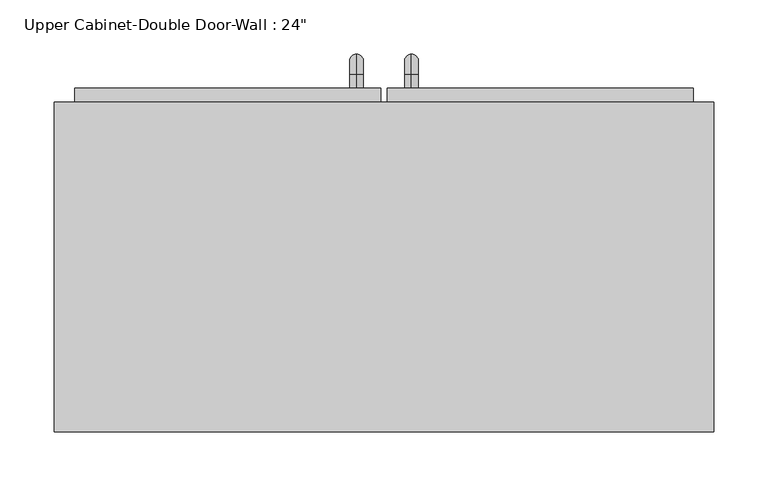
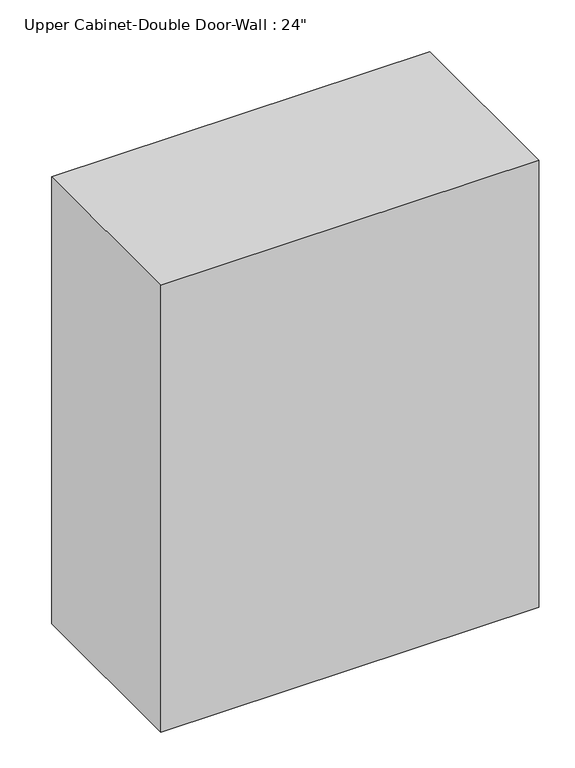
"""IFC4 building model written with IfcOpenShell, lengths in millimetres: furniture geometry."""

from ifc_helpers import new_model, si_unit, point, frame, origin, place, context, project, spatial, polyline, circle_curve, ellipse_curve, trimmed, outline, extrude, faceted_brep, source, transform, mapped, element, save
from ifc_brep_helpers import plane_surface, cylinder_surface, revolved_surface, advanced_brep


def furniture_e94185de(model_context):
    return source(origin(), model_context, "Body", "SolidModel", [
        faceted_brep([(-275.0288372, 63.5, 2133.6), (-275.0288372, 63.5, 1371.6), (334.5711628, 63.5, 1371.6), (334.5711628, 63.5, 2133.6), (-275.0288372, 368.3, 2133.6), (334.5711628, 368.3, 2133.6), (334.5711628, 368.3, 1371.6), (-275.0288372, 368.3, 1371.6), (-255.9788372, 368.3, 2114.55), (-255.9788372, 368.3, 1390.65), (315.5211628, 368.3, 1390.65), (315.5211628, 368.3, 2114.55), (315.5211628, 82.55, 2114.55), (-255.9788372, 82.55, 2114.55), (315.5211628, 82.55, 1390.65), (-255.9788372, 82.55, 1390.65)], [[[0, 1, 2, 3]], [[4, 5, 6, 7], [8, 9, 10, 11]], [[1, 0, 4, 7]], [[2, 1, 7, 6]], [[3, 2, 6, 5]], [[0, 3, 5, 4]], [[8, 11, 12, 13]], [[11, 10, 14, 12]], [[10, 9, 15, 14]], [[9, 8, 13, 15]], [[13, 12, 14, 15]]]),
        advanced_brep(
        [(55.1711628, 381.0, 1517.65), (55.1711628, 381.0, 1530.35), (55.1711628, 393.7, 1517.65), (55.1711628, 393.7, 1530.35), (55.1711628, 412.75, 1511.3), (55.1711628, 400.05, 1511.3), (55.1711628, 400.05, 1435.1), (55.1711628, 412.75, 1435.1), (55.1711628, 393.7, 1416.05), (55.1711628, 393.7, 1428.75), (55.1711628, 381.0, 1428.75), (55.1711628, 381.0, 1416.05)],
        [
            (0, 1, circle_curve(frame((55.1711628, 381.0, 1524.0), z_axis=(0.0, -1.0, 0.0), x_axis=(0.0, 0.0, -1.0)), 6.35)),
            (1, 0, circle_curve(frame((55.1711628, 381.0, 1524.0), z_axis=(0.0, -1.0, 0.0), x_axis=(0.0, 0.0, -1.0)), 6.35)),
            (0, 2),
            (2, 3, circle_curve(frame((55.1711628, 393.7, 1524.0), z_axis=(0.0, -1.0, 0.0), x_axis=(0.0, 0.0, -1.0)), 6.35)),
            (3, 1),
            (3, 2, circle_curve(frame((55.1711628, 393.7, 1524.0), z_axis=(0.0, -1.0, 0.0), x_axis=(0.0, 0.0, -1.0)), 6.35)),
            (4, 3, circle_curve(frame((55.1711628, 393.7, 1511.3), z_axis=(1.0, 0.0, 0.0), x_axis=(0.0, 0.0, 1.0)), 19.05)),
            (2, 5, circle_curve(frame((55.1711628, 393.7, 1511.3), z_axis=(-1.0, 0.0, 0.0), x_axis=(0.0, 0.0, 1.0)), 6.35)),
            (5, 4, circle_curve(frame((55.1711628, 406.4, 1511.3), z_axis=(0.0, 0.0, 1.0), x_axis=(0.0, -1.0, 0.0)), 6.35)),
            (4, 5, circle_curve(frame((55.1711628, 406.4, 1511.3), z_axis=(0.0, 0.0, 1.0), x_axis=(0.0, -1.0, 0.0)), 6.35)),
            (5, 6),
            (6, 7, circle_curve(frame((55.1711628, 406.4, 1435.1), z_axis=(0.0, 0.0, 1.0), x_axis=(0.0, -1.0, 0.0)), 6.35)),
            (7, 4),
            (7, 6, circle_curve(frame((55.1711628, 406.4, 1435.1), z_axis=(0.0, 0.0, 1.0), x_axis=(0.0, -1.0, 0.0)), 6.35)),
            (8, 7, circle_curve(frame((55.1711628, 393.7, 1435.1), z_axis=(1.0, 0.0, 0.0), x_axis=(0.0, 1.0, 0.0)), 19.05)),
            (6, 9, circle_curve(frame((55.1711628, 393.7, 1435.1), z_axis=(-1.0, 0.0, 0.0), x_axis=(0.0, 1.0, 0.0)), 6.35)),
            (9, 8, circle_curve(frame((55.1711628, 393.7, 1422.4), z_axis=(0.0, 1.0, 0.0), x_axis=(0.0, 0.0, 1.0)), 6.35)),
            (8, 9, circle_curve(frame((55.1711628, 393.7, 1422.4), z_axis=(0.0, 1.0, 0.0), x_axis=(0.0, 0.0, 1.0)), 6.35)),
            (10, 11, circle_curve(frame((55.1711628, 381.0, 1422.4), z_axis=(0.0, -1.0, 0.0), x_axis=(0.0, 0.0, 1.0)), 6.35)),
            (11, 10, circle_curve(frame((55.1711628, 381.0, 1422.4), z_axis=(0.0, -1.0, 0.0), x_axis=(0.0, 0.0, 1.0)), 6.35)),
            (9, 10),
            (11, 8),
        ],
        [
            plane_surface(frame((48.8211628, 381.0, 1524.0), z_axis=(0.0, -1.0, 0.0), x_axis=(0.0, 0.0, 1.0))),
            cylinder_surface(frame((55.1711628, 381.0, 1524.0), z_axis=(0.0, -1.0, 0.0), x_axis=(0.0, 0.0, -1.0)), 6.35),
            revolved_surface(trimmed(ellipse_curve(frame((55.1711628, 393.7, 1524.0), z_axis=(0.0, -1.0, 0.0), x_axis=(0.0, 0.0, -1.0)), 6.35, 6.35), [point((55.1711628, 393.7, 1517.65))], [point((55.1711628, 393.7, 1530.35))], True, "CARTESIAN"), (55.1711628, 393.7, 1511.3), (-1.0, 0.0, 0.0)),
            revolved_surface(trimmed(ellipse_curve(frame((55.1711628, 393.7, 1524.0), z_axis=(0.0, -1.0, 0.0), x_axis=(0.0, 0.0, -1.0)), 6.35, 6.35), [point((55.1711628, 393.7, 1530.35))], [point((55.1711628, 393.7, 1517.65))], True, "CARTESIAN"), (55.1711628, 393.7, 1511.3), (-1.0, 0.0, 0.0)),
            cylinder_surface(frame((55.1711628, 406.4, 1511.3), z_axis=(0.0, 0.0, 1.0), x_axis=(0.0, -1.0, 0.0)), 6.35),
            revolved_surface(trimmed(ellipse_curve(frame((55.1711628, 406.4, 1435.1), z_axis=(0.0, 0.0, 1.0), x_axis=(0.0, -1.0, 0.0)), 6.35, 6.35), [point((55.1711628, 400.05, 1435.1))], [point((55.1711628, 412.75, 1435.1))], True, "CARTESIAN"), (55.1711628, 393.7, 1435.1), (-1.0, 0.0, 0.0)),
            revolved_surface(trimmed(ellipse_curve(frame((55.1711628, 406.4, 1435.1), z_axis=(0.0, 0.0, 1.0), x_axis=(0.0, -1.0, 0.0)), 6.35, 6.35), [point((55.1711628, 412.75, 1435.1))], [point((55.1711628, 400.05, 1435.1))], True, "CARTESIAN"), (55.1711628, 393.7, 1435.1), (-1.0, 0.0, 0.0)),
            plane_surface(frame((48.8211628, 381.0, 1422.4), z_axis=(0.0, -1.0, 0.0), x_axis=(0.0, 0.0, -1.0))),
            cylinder_surface(frame((55.1711628, 393.7, 1422.4), z_axis=(0.0, 1.0, 0.0), x_axis=(0.0, 0.0, 1.0)), 6.35),
        ],
        [
            (0, [[1, 2]]),
            (1, [[-1, 3, 4, 5]]),
            (1, [[-2, -5, 6, -3]]),
            (2, [[7, -4, 8, 9]]),
            (3, [[-8, -6, -7, 10]]),
            (4, [[-9, 11, 12, 13]]),
            (4, [[-10, -13, 14, -11]]),
            (5, [[15, -12, 16, 17]]),
            (6, [[-16, -14, -15, 18]]),
            (7, [[19, 20]]),
            (8, [[-17, 21, -20, 22]]),
            (8, [[-18, -22, -19, -21]]),
        ],
    ),
        advanced_brep(
        [(4.3711628, 381.0, 1517.65), (4.3711628, 381.0, 1530.35), (4.3711628, 393.7, 1517.65), (4.3711628, 393.7, 1530.35), (4.3711628, 412.75, 1511.3), (4.3711628, 400.05, 1511.3), (4.3711628, 400.05, 1435.1), (4.3711628, 412.75, 1435.1), (4.3711628, 393.7, 1416.05), (4.3711628, 393.7, 1428.75), (4.3711628, 381.0, 1428.75), (4.3711628, 381.0, 1416.05)],
        [
            (0, 1, circle_curve(frame((4.3711628, 381.0, 1524.0), z_axis=(0.0, -1.0, 0.0), x_axis=(0.0, 0.0, 1.0)), 6.35)),
            (1, 0, circle_curve(frame((4.3711628, 381.0, 1524.0), z_axis=(0.0, -1.0, 0.0), x_axis=(0.0, 0.0, 1.0)), 6.35)),
            (0, 2),
            (2, 3, circle_curve(frame((4.3711628, 393.7, 1524.0), z_axis=(0.0, -1.0, 0.0), x_axis=(0.0, 0.0, 1.0)), 6.35)),
            (3, 1),
            (3, 2, circle_curve(frame((4.3711628, 393.7, 1524.0), z_axis=(0.0, -1.0, 0.0), x_axis=(0.0, 0.0, 1.0)), 6.35)),
            (4, 3, circle_curve(frame((4.3711628, 393.7, 1511.3), z_axis=(1.0, 0.0, 0.0), x_axis=(0.0, 0.0, 1.0)), 19.05)),
            (2, 5, circle_curve(frame((4.3711628, 393.7, 1511.3), z_axis=(-1.0, 0.0, 0.0), x_axis=(0.0, 0.0, 1.0)), 6.35)),
            (5, 4, circle_curve(frame((4.3711628, 406.4, 1511.3), z_axis=(0.0, 0.0, 1.0), x_axis=(0.0, 1.0, 0.0)), 6.35)),
            (4, 5, circle_curve(frame((4.3711628, 406.4, 1511.3), z_axis=(0.0, 0.0, 1.0), x_axis=(0.0, 1.0, 0.0)), 6.35)),
            (5, 6),
            (6, 7, circle_curve(frame((4.3711628, 406.4, 1435.1), z_axis=(0.0, 0.0, 1.0), x_axis=(0.0, 1.0, 0.0)), 6.35)),
            (7, 4),
            (7, 6, circle_curve(frame((4.3711628, 406.4, 1435.1), z_axis=(0.0, 0.0, 1.0), x_axis=(0.0, 1.0, 0.0)), 6.35)),
            (8, 7, circle_curve(frame((4.3711628, 393.7, 1435.1), z_axis=(1.0, 0.0, 0.0), x_axis=(0.0, 1.0, 0.0)), 19.05)),
            (6, 9, circle_curve(frame((4.3711628, 393.7, 1435.1), z_axis=(-1.0, 0.0, 0.0), x_axis=(0.0, 1.0, 0.0)), 6.35)),
            (9, 8, circle_curve(frame((4.3711628, 393.7, 1422.4), z_axis=(0.0, 1.0, 0.0), x_axis=(0.0, 0.0, -1.0)), 6.35)),
            (8, 9, circle_curve(frame((4.3711628, 393.7, 1422.4), z_axis=(0.0, 1.0, 0.0), x_axis=(0.0, 0.0, -1.0)), 6.35)),
            (10, 11, circle_curve(frame((4.3711628, 381.0, 1422.4), z_axis=(0.0, -1.0, 0.0), x_axis=(0.0, 0.0, -1.0)), 6.35)),
            (11, 10, circle_curve(frame((4.3711628, 381.0, 1422.4), z_axis=(0.0, -1.0, 0.0), x_axis=(0.0, 0.0, -1.0)), 6.35)),
            (9, 10),
            (11, 8),
        ],
        [
            plane_surface(frame((-1.9788372, 381.0, 1524.0), z_axis=(0.0, -1.0, 0.0), x_axis=(0.0, 0.0, 1.0))),
            cylinder_surface(frame((4.3711628, 381.0, 1524.0), z_axis=(0.0, -1.0, 0.0), x_axis=(0.0, 0.0, 1.0)), 6.35),
            revolved_surface(trimmed(ellipse_curve(frame((4.3711628, 393.7, 1524.0), z_axis=(0.0, -1.0, 0.0), x_axis=(0.0, 0.0, 1.0)), 6.35, 6.35), [point((4.3711628, 393.7, 1517.65))], [point((4.3711628, 393.7, 1530.35))], True, "CARTESIAN"), (4.3711628, 393.7, 1511.3), (-1.0, 0.0, 0.0)),
            revolved_surface(trimmed(ellipse_curve(frame((4.3711628, 393.7, 1524.0), z_axis=(0.0, -1.0, 0.0), x_axis=(0.0, 0.0, 1.0)), 6.35, 6.35), [point((4.3711628, 393.7, 1530.35))], [point((4.3711628, 393.7, 1517.65))], True, "CARTESIAN"), (4.3711628, 393.7, 1511.3), (-1.0, 0.0, 0.0)),
            cylinder_surface(frame((4.3711628, 406.4, 1511.3), z_axis=(0.0, 0.0, 1.0), x_axis=(0.0, 1.0, 0.0)), 6.35),
            revolved_surface(trimmed(ellipse_curve(frame((4.3711628, 406.4, 1435.1), z_axis=(0.0, 0.0, 1.0), x_axis=(0.0, 1.0, 0.0)), 6.35, 6.35), [point((4.3711628, 400.05, 1435.1))], [point((4.3711628, 412.75, 1435.1))], True, "CARTESIAN"), (4.3711628, 393.7, 1435.1), (-1.0, 0.0, 0.0)),
            revolved_surface(trimmed(ellipse_curve(frame((4.3711628, 406.4, 1435.1), z_axis=(0.0, 0.0, 1.0), x_axis=(0.0, 1.0, 0.0)), 6.35, 6.35), [point((4.3711628, 412.75, 1435.1))], [point((4.3711628, 400.05, 1435.1))], True, "CARTESIAN"), (4.3711628, 393.7, 1435.1), (-1.0, 0.0, 0.0)),
            plane_surface(frame((-1.9788372, 381.0, 1422.4), z_axis=(0.0, -1.0, 0.0), x_axis=(0.0, 0.0, -1.0))),
            cylinder_surface(frame((4.3711628, 393.7, 1422.4), z_axis=(0.0, 1.0, 0.0), x_axis=(0.0, 0.0, -1.0)), 6.35),
        ],
        [
            (0, [[1, 2]]),
            (1, [[-1, 3, 4, 5]]),
            (1, [[-2, -5, 6, -3]]),
            (2, [[7, -4, 8, 9]]),
            (3, [[-8, -6, -7, 10]]),
            (4, [[-9, 11, 12, 13]]),
            (4, [[-10, -13, 14, -11]]),
            (5, [[15, -12, 16, 17]]),
            (6, [[-16, -14, -15, 18]]),
            (7, [[19, 20]]),
            (8, [[-17, 21, -20, 22]]),
            (8, [[-18, -22, -19, -21]]),
        ],
    ),
        extrude(outline(polyline([(32.9461628, 381.0), (315.5211628, 381.0), (315.5211628, 349.25), (32.9461628, 349.25), (32.9461628, 381.0)])), frame((0.0, 0.0, 1390.65), z_axis=(0.0, 0.0, 1.0), x_axis=(1.0, 0.0, 0.0)), (0.0, 0.0, 1.0), 723.9),
        extrude(outline(polyline([(-255.9788372, 381.0), (26.5961628, 381.0), (26.5961628, 349.25), (-255.9788372, 349.25), (-255.9788372, 381.0)])), frame((0.0, 0.0, 1390.65), z_axis=(0.0, 0.0, 1.0), x_axis=(1.0, 0.0, 0.0)), (0.0, 0.0, 1.0), 723.9),
    ])


if __name__ == "__main__":
    model = new_model("IFC4")
    model_context = context("Model", 3, world=origin())
    ifc_project = project(units=[si_unit("LENGTHUNIT", "METRE", prefix="MILLI")], contexts=[model_context])
    site = spatial("IfcSite", under=ifc_project)
    building = spatial("IfcBuilding", under=site)
    placement = place(None, origin())
    furniture_shape = furniture_e94185de(model_context)
    element("IfcFurniture", 1, ObjectType="Upper Cabinet-Double Door-Wall : 24\"", at=placement, inside=building, context=model_context, shape_type="MappedRepresentation", body=[
        mapped(furniture_shape, transform((0.0, 0.0, 0.0), x_axis=(1.0, 0.0, 0.0), y_axis=(0.0, 1.0, 0.0), z_axis=(0.0, 0.0, 1.0))),
    ])
    save(model, "model.ifc")
